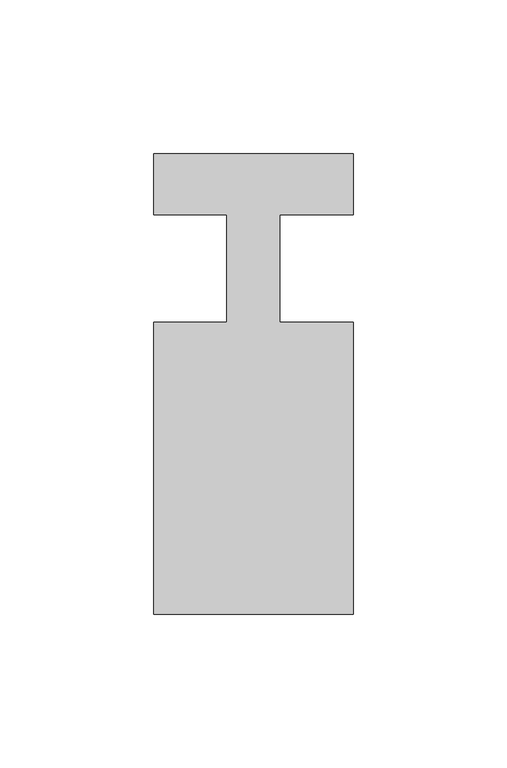
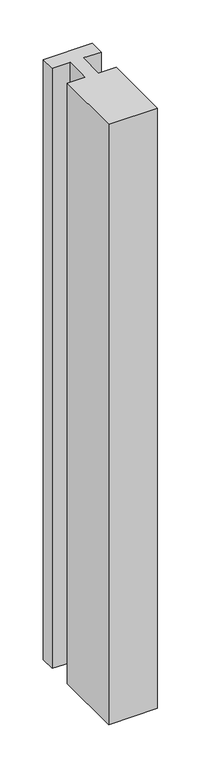
"""IFC4 building model written with IfcOpenShell, lengths in millimetres: member geometry."""

from ifc_helpers import new_model, si_unit, frame, origin, place, context, project, spatial, polyline, outline, extrude, source, transform, mapped, element, save


def member_dd8571d2(model_context):
    return source(origin(), model_context, "Body", "SweptSolid", [
        extrude(outline(polyline([(-65.0, 37.0), (0.0, 37.0), (0.0, 17.0), (-23.8125, 17.0), (-23.8125, -18.0), (0.0, -18.0), (0.0, -113.0), (-65.0, -113.0), (-65.0, -18.0), (-41.1875, -18.0), (-41.1875, 17.0), (-65.0, 17.0), (-65.0, 37.0)])), frame((0.0, 0.0, -843.4348165), z_axis=(0.0, 0.0, 1.0), x_axis=(1.0, 0.0, 0.0)), (0.0, 0.0, 1.0), 843.4348165),
    ])


if __name__ == "__main__":
    model = new_model("IFC4")
    model_context = context("Model", 3, world=origin())
    ifc_project = project(units=[si_unit("LENGTHUNIT", "METRE", prefix="MILLI")], contexts=[model_context])
    site = spatial("IfcSite", under=ifc_project)
    building = spatial("IfcBuilding", under=site)
    placement = place(None, origin())
    member_shape = member_dd8571d2(model_context)
    element("IfcMember", 1, at=placement, inside=building, context=model_context, shape_type="MappedRepresentation", body=[
        mapped(member_shape, transform((0.0, 0.0, 0.0), x_axis=(1.0, 0.0, 0.0), y_axis=(0.0, 1.0, 0.0), z_axis=(0.0, 0.0, 1.0))),
    ])
    save(model, "model.ifc")
